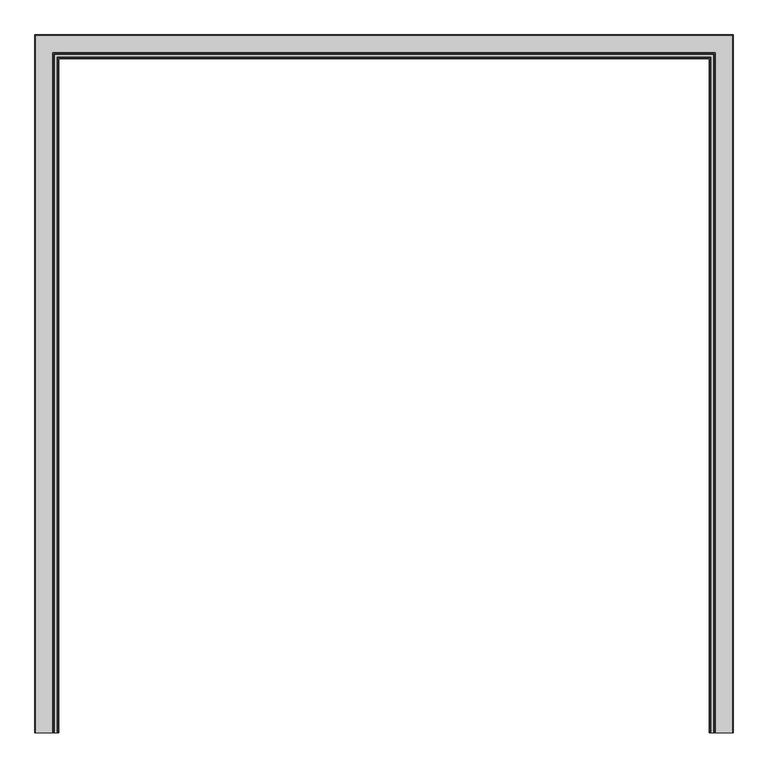
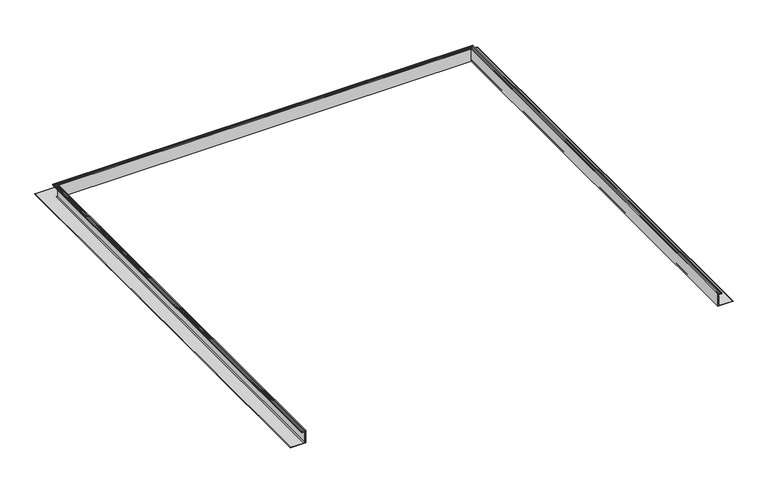
"""IFC4 building model written with IfcOpenShell, lengths in millimetres: fastener geometry."""

from ifc_helpers import new_model, si_unit, frame, origin, place, context, project, spatial, polyline, circle_curve, ellipse_curve, outline, extrude, source, transform, mapped, element, save
from ifc_brep_helpers import plane_surface, cylinder_surface, revolved_surface, advanced_brep


def fastener_39e37d6b(model_context):
    return source(origin(), model_context, "Body", "SolidModel", [
        advanced_brep(
        [(-1135.3165, -1219.2, -15.1804688), (-1141.2343456, -1219.2, -15.1804688), (-1141.460117, -1219.2, -17.1999455), (-1140.3710112, -1219.2, -18.2679836), (-1140.8594568, -1219.2, -19.21101), (-1152.5091166, -1219.2, -19.21101), (-1152.9649499, -1219.2, -18.2679836), (-1151.9131963, -1219.2, -17.1999455), (-1152.1178999, -1219.2, -15.1804688), (-1156.2117258, -1219.2, -15.1804688), (-1156.2117258, -1219.2, -21.87801), (-1137.9835, -1219.2, -21.87801), (-1137.9835, -1219.2, -78.4836108), (-1145.5344517, -1219.2, -86.0345625), (-1217.8665, -1219.2, -86.0345625), (-1217.8665, -1219.2, -88.7015625), (-1135.3165, -1219.2, -88.7015625), (1135.3165, -1219.2, -15.1804688), (1135.3165, -1219.2, -88.7015625), (1217.8665, -1219.2, -88.7015625), (1217.8665, -1219.2, -86.0345625), (1145.5344517, -1219.2, -86.0345625), (1137.9835, -1219.2, -78.4836108), (1137.9835, -1219.2, -21.87801), (1156.2117258, -1219.2, -21.87801), (1156.2117258, -1219.2, -15.1804688), (1152.1178999, -1219.2, -15.1804688), (1151.9131963, -1219.2, -17.1999455), (1152.9649499, -1219.2, -18.2679836), (1152.5091166, -1219.2, -19.21101), (1140.8594568, -1219.2, -19.21101), (1140.3710112, -1219.2, -18.2679836), (1141.460117, -1219.2, -17.1999455), (1141.2343456, -1219.2, -15.1804688), (-1141.460117, 1141.460117, -17.1999455), (-1141.2343456, 1141.2343456, -15.1804688), (1141.2343456, 1141.2343456, -15.1804688), (1141.460117, 1141.460117, -17.1999455), (-1140.3710112, 1140.3710112, -18.2679836), (1140.3710112, 1140.3710112, -18.2679836), (-1140.8594568, 1140.8594568, -19.21101), (1140.8594568, 1140.8594568, -19.21101), (-1152.9649499, 1152.9649499, -18.2679836), (-1152.5091166, 1152.5091166, -19.21101), (1152.5091166, 1152.5091166, -19.21101), (1152.9649499, 1152.9649499, -18.2679836), (-1151.9131963, 1151.9131963, -17.1999455), (1151.9131963, 1151.9131963, -17.1999455), (-1152.1178999, 1152.1178999, -15.1804688), (1152.1178999, 1152.1178999, -15.1804688), (-1156.2117258, 1156.2117258, -21.87801), (-1156.2117258, 1156.2117258, -15.1804688), (1156.2117258, 1156.2117258, -15.1804688), (1156.2117258, 1156.2117258, -21.87801), (-1137.9835, 1137.9835, -78.4836108), (-1137.9835, 1137.9835, -21.87801), (1137.9835, 1137.9835, -21.87801), (1137.9835, 1137.9835, -78.4836108), (-1145.5344517, 1145.5344517, -86.0345625), (1145.5344517, 1145.5344517, -86.0345625), (-1217.8665, 1217.8665, -88.7015625), (-1217.8665, 1217.8665, -86.0345625), (1217.8665, 1217.8665, -86.0345625), (1217.8665, 1217.8665, -88.7015625), (-1135.3165, 1135.3165, -15.1804688), (-1135.3165, 1135.3165, -88.7015625), (1135.3165, 1135.3165, -88.7015625), (1135.3165, 1135.3165, -15.1804688)],
        [
            (0, 1),
            (1, 2, circle_curve(frame((-1140.5022273, -1219.2, -16.284676), z_axis=(0.0, -1.0, 0.0), x_axis=(-1.0, 0.0, 0.0)), 1.3248664)),
            (2, 3),
            (3, 4, circle_curve(frame((-1140.8594568, -1219.2, -18.6130003), z_axis=(0.0, 1.0, 0.0), x_axis=(-1.0, 0.0, 0.0)), 0.5980097)),
            (4, 5),
            (5, 6, circle_curve(frame((-1152.5091166, -1219.2, -18.6293281), z_axis=(0.0, 1.0, 0.0), x_axis=(-1.0, 0.0, 0.0)), 0.5816819)),
            (6, 7),
            (7, 8, circle_curve(frame((-1152.8274757, -1219.2, -16.2725079), z_axis=(0.0, -1.0, 0.0), x_axis=(-1.0, 0.0, 0.0)), 1.3023238)),
            (8, 9),
            (9, 10),
            (10, 11),
            (11, 12),
            (12, 13, circle_curve(frame((-1145.5344517, -1219.2, -78.4836108), z_axis=(0.0, 1.0, 0.0), x_axis=(-1.0, 0.0, 0.0)), 7.5509517)),
            (13, 14),
            (14, 15, circle_curve(frame((-1217.8665, -1219.2, -87.3680625), z_axis=(0.0, -1.0, 0.0), x_axis=(-1.0, 0.0, 0.0)), 1.3335)),
            (15, 16),
            (16, 0),
            (17, 18),
            (18, 19),
            (19, 20, circle_curve(frame((1217.8665, -1219.2, -87.3680625), z_axis=(0.0, -1.0, 0.0), x_axis=(1.0, 0.0, 0.0)), 1.3335)),
            (20, 21),
            (21, 22, circle_curve(frame((1145.5344517, -1219.2, -78.4836108), z_axis=(0.0, 1.0, 0.0), x_axis=(1.0, 0.0, 0.0)), 7.5509517)),
            (22, 23),
            (23, 24),
            (24, 25),
            (25, 26),
            (26, 27, circle_curve(frame((1152.8274757, -1219.2, -16.2725079), z_axis=(0.0, -1.0, 0.0), x_axis=(1.0, 0.0, 0.0)), 1.3023238)),
            (27, 28),
            (28, 29, circle_curve(frame((1152.5091166, -1219.2, -18.6293281), z_axis=(0.0, 1.0, 0.0), x_axis=(1.0, 0.0, 0.0)), 0.5816819)),
            (29, 30),
            (30, 31, circle_curve(frame((1140.8594568, -1219.2, -18.6130003), z_axis=(0.0, 1.0, 0.0), x_axis=(1.0, 0.0, 0.0)), 0.5980097)),
            (31, 32),
            (32, 33, circle_curve(frame((1140.5022273, -1219.2, -16.284676), z_axis=(0.0, -1.0, 0.0), x_axis=(1.0, 0.0, 0.0)), 1.3248664)),
            (33, 17),
            (34, 35, ellipse_curve(frame((-1140.5022273, 1140.5022273, -16.284676), z_axis=(0.7071067811865475, 0.7071067811865475, 0.0), x_axis=(-0.7071067811865476, 0.7071067811865474, 0.0)), 1.873644, 1.3248664)),
            (35, 36),
            (36, 37, ellipse_curve(frame((1140.5022273, 1140.5022273, -16.284676), z_axis=(-0.7071067811865475, 0.7071067811865475, 0.0), x_axis=(-0.7071067811865476, -0.7071067811865474, 0.0)), 1.873644, 1.3248664)),
            (37, 34),
            (38, 34),
            (37, 39),
            (39, 38),
            (40, 38, ellipse_curve(frame((-1140.8594568, 1140.8594568, -18.6130003), z_axis=(-0.7071067811865475, -0.7071067811865475, 0.0), x_axis=(0.7071067811865476, -0.7071067811865474, 0.0)), 0.8457134, 0.5980097)),
            (39, 41, ellipse_curve(frame((1140.8594568, 1140.8594568, -18.6130003), z_axis=(0.7071067811865475, -0.7071067811865475, 0.0), x_axis=(0.7071067811865476, 0.7071067811865474, 0.0)), 0.8457134, 0.5980097)),
            (41, 40),
            (42, 43, ellipse_curve(frame((-1152.5091166, 1152.5091166, -18.6293281), z_axis=(-0.7071067811865475, -0.7071067811865475, 0.0), x_axis=(0.7071067811865476, -0.7071067811865474, 0.0)), 0.8226224, 0.5816819)),
            (43, 44),
            (44, 45, ellipse_curve(frame((1152.5091166, 1152.5091166, -18.6293281), z_axis=(0.7071067811865475, -0.7071067811865475, 0.0), x_axis=(0.7071067811865476, 0.7071067811865474, 0.0)), 0.8226224, 0.5816819)),
            (45, 42),
            (46, 42),
            (45, 47),
            (47, 46),
            (48, 46, ellipse_curve(frame((-1152.8274757, 1152.8274757, -16.2725079), z_axis=(0.7071067811865475, 0.7071067811865475, 0.0), x_axis=(-0.7071067811865476, 0.7071067811865474, 0.0)), 1.841764, 1.3023238)),
            (47, 49, ellipse_curve(frame((1152.8274757, 1152.8274757, -16.2725079), z_axis=(-0.7071067811865475, 0.7071067811865475, 0.0), x_axis=(-0.7071067811865476, -0.7071067811865474, 0.0)), 1.841764, 1.3023238)),
            (49, 48),
            (50, 51),
            (51, 52),
            (52, 53),
            (53, 50),
            (54, 55),
            (55, 56),
            (56, 57),
            (57, 54),
            (58, 54, ellipse_curve(frame((-1145.5344517, 1145.5344517, -78.4836108), z_axis=(-0.7071067811865475, -0.7071067811865475, 0.0), x_axis=(0.7071067811865476, -0.7071067811865474, 0.0)), 10.6786583, 7.5509517)),
            (57, 59, ellipse_curve(frame((1145.5344517, 1145.5344517, -78.4836108), z_axis=(0.7071067811865475, -0.7071067811865475, 0.0), x_axis=(0.7071067811865476, 0.7071067811865474, 0.0)), 10.6786583, 7.5509517)),
            (59, 58),
            (60, 61, ellipse_curve(frame((-1217.8665, 1217.8665, -87.3680625), z_axis=(0.7071067811865475, 0.7071067811865475, 0.0), x_axis=(-0.7071067811865476, 0.7071067811865474, 0.0)), 1.8858538, 1.3335)),
            (61, 62),
            (62, 63, ellipse_curve(frame((1217.8665, 1217.8665, -87.3680625), z_axis=(-0.7071067811865475, 0.7071067811865475, 0.0), x_axis=(-0.7071067811865476, -0.7071067811865474, 0.0)), 1.8858538, 1.3335)),
            (63, 60),
            (64, 65),
            (65, 66),
            (66, 67),
            (67, 64),
            (0, 64),
            (67, 17),
            (33, 36),
            (35, 1),
            (34, 2),
            (38, 3),
            (40, 4),
            (41, 30),
            (29, 44),
            (43, 5),
            (42, 6),
            (46, 7),
            (48, 8),
            (49, 26),
            (25, 52),
            (51, 9),
            (50, 10),
            (53, 24),
            (23, 56),
            (55, 11),
            (54, 12),
            (58, 13),
            (59, 21),
            (20, 62),
            (61, 14),
            (60, 15),
            (63, 19),
            (18, 66),
            (65, 16),
            (32, 37),
            (31, 39),
            (28, 45),
            (27, 47),
            (22, 57),
        ],
        [
            plane_surface(frame((-1219.2, -1219.2, 0.0), z_axis=(0.0, -1.0, 0.0), x_axis=(0.0, 0.0, 1.0))),
            plane_surface(frame((1219.2, -1219.2, 0.0), z_axis=(0.0, -1.0, 0.0), x_axis=(0.0, 0.0, 1.0))),
            cylinder_surface(frame((-1219.2, 1140.5022273, -16.284676), z_axis=(-1.0, 0.0, 0.0), x_axis=(0.0, 1.0, 0.0)), 1.3248664),
            plane_surface(frame((-1141.460117, 1141.460117, -17.1999455), z_axis=(0.0, 0.7001674507589581, -0.7139786697778175), x_axis=(1.0, 0.0, 0.0))),
            revolved_surface(polyline([(1141.4574664800805, 1141.4574665, -18.6130003), (-1141.4574664800805, 1141.4574665, -18.6130003)]), (-1219.2, 1140.8594568, -18.6130003), (1.0, 0.0, 0.0)),
            revolved_surface(polyline([(1153.090798477396, 1153.0907985, -18.6293281), (-1153.090798477396, 1153.0907985, -18.6293281)]), (-1219.2, 1152.5091166, -18.6293281), (1.0, 0.0, 0.0)),
            plane_surface(frame((-1152.9649499, 1152.9649499, -18.2679836), z_axis=(0.0, -0.712517845964901, -0.7016539882175101), x_axis=(1.0, 0.0, 0.0))),
            cylinder_surface(frame((-1219.2, 1152.8274757, -16.2725079), z_axis=(-1.0, 0.0, 0.0), x_axis=(0.0, 1.0, 0.0)), 1.3023238),
            plane_surface(frame((-1156.2117258, 1156.2117258, -15.1804688), z_axis=(0.0, 1.0, 0.0), x_axis=(1.0, 0.0, 0.0))),
            plane_surface(frame((-1137.9835, 1137.9835, -21.87801), z_axis=(0.0, 1.0, 0.0), x_axis=(1.0, 0.0, 0.0))),
            revolved_surface(polyline([(1153.0854033979042, 1153.0854034000001, -78.4836108), (-1153.0854033979042, 1153.0854034000001, -78.4836108)]), (-1219.2, 1145.5344517, -78.4836108), (1.0, 0.0, 0.0)),
            cylinder_surface(frame((-1219.2, 1217.8665, -87.3680625), z_axis=(-1.0, 0.0, 0.0), x_axis=(0.0, 1.0, 0.0)), 1.3335),
            plane_surface(frame((-1135.3165, 1135.3165, -88.7015625), z_axis=(0.0, -1.0, 0.0), x_axis=(1.0, 0.0, 0.0))),
            plane_surface(frame((-1135.3165, -1219.2, -15.1804688), z_axis=(0.0, 0.0, 1.0), x_axis=(0.0, 1.0, 0.0))),
            cylinder_surface(frame((-1140.5022273, -1219.2, -16.284676), z_axis=(0.0, -1.0, 0.0), x_axis=(-1.0, 0.0, 0.0)), 1.3248664),
            plane_surface(frame((-1141.460117, -1219.2, -17.1999455), z_axis=(-0.7001674507589581, 0.0, -0.7139786697778175), x_axis=(0.0, 1.0, 0.0))),
            revolved_surface(polyline([(-1141.4574665, 1141.4574664800805, -18.6130003), (-1141.4574665, -1219.2, -18.6130003)]), (-1140.8594568, -1219.2, -18.6130003), (0.0, 1.0, 0.0)),
            plane_surface(frame((-1140.8594568, -1219.2, -19.21101), z_axis=(0.0, 0.0, 1.0), x_axis=(0.0, 1.0, 0.0))),
            revolved_surface(polyline([(-1153.0907985, 1153.090798477396, -18.6293281), (-1153.0907985, -1219.2, -18.6293281)]), (-1152.5091166, -1219.2, -18.6293281), (0.0, 1.0, 0.0)),
            plane_surface(frame((-1152.9649499, -1219.2, -18.2679836), z_axis=(0.712517845964901, 0.0, -0.7016539882175101), x_axis=(0.0, 1.0, 0.0))),
            cylinder_surface(frame((-1152.8274757, -1219.2, -16.2725079), z_axis=(0.0, -1.0, 0.0), x_axis=(-1.0, 0.0, 0.0)), 1.3023238),
            plane_surface(frame((-1152.1178999, -1219.2, -15.1804688), z_axis=(0.0, 0.0, 1.0), x_axis=(0.0, 1.0, 0.0))),
            plane_surface(frame((-1156.2117258, -1219.2, -15.1804688), z_axis=(-1.0, 0.0, 0.0), x_axis=(0.0, 1.0, 0.0))),
            plane_surface(frame((-1156.2117258, -1219.2, -21.87801), z_axis=(0.0, 0.0, -1.0), x_axis=(0.0, 1.0, 0.0))),
            plane_surface(frame((-1137.9835, -1219.2, -21.87801), z_axis=(-1.0, 0.0, 0.0), x_axis=(0.0, 1.0, 0.0))),
            revolved_surface(polyline([(-1153.0854034000001, 1153.0854033979042, -78.4836108), (-1153.0854034000001, -1219.2, -78.4836108)]), (-1145.5344517, -1219.2, -78.4836108), (0.0, 1.0, 0.0)),
            plane_surface(frame((-1145.5344517, -1219.2, -86.0345625), z_axis=(0.0, 0.0, 1.0), x_axis=(0.0, 1.0, 0.0))),
            cylinder_surface(frame((-1217.8665, -1219.2, -87.3680625), z_axis=(0.0, -1.0, 0.0), x_axis=(-1.0, 0.0, 0.0)), 1.3335),
            plane_surface(frame((-1217.8665, -1219.2, -88.7015625), z_axis=(0.0, 0.0, -1.0), x_axis=(0.0, 1.0, 0.0))),
            plane_surface(frame((-1135.3165, -1219.2, -88.7015625), z_axis=(1.0, 0.0, 0.0), x_axis=(0.0, 1.0, 0.0))),
            cylinder_surface(frame((1140.5022273, 1219.2, -16.284676), z_axis=(0.0, 1.0, 0.0), x_axis=(1.0, 0.0, 0.0)), 1.3248664),
            plane_surface(frame((1141.460117, 1141.460117, -17.1999455), z_axis=(0.7001674507589581, 0.0, -0.7139786697778175), x_axis=(0.0, -1.0, 0.0))),
            revolved_surface(polyline([(1141.4574665, -1219.2, -18.6130003), (1141.4574665, 1141.4574664800805, -18.6130003)]), (1140.8594568, 1219.2, -18.6130003), (0.0, -1.0, 0.0)),
            revolved_surface(polyline([(1153.0907985, -1219.2, -18.6293281), (1153.0907985, 1153.090798477396, -18.6293281)]), (1152.5091166, 1219.2, -18.6293281), (0.0, -1.0, 0.0)),
            plane_surface(frame((1152.9649499, 1152.9649499, -18.2679836), z_axis=(-0.712517845964901, 0.0, -0.7016539882175101), x_axis=(0.0, -1.0, 0.0))),
            cylinder_surface(frame((1152.8274757, 1219.2, -16.2725079), z_axis=(0.0, 1.0, 0.0), x_axis=(1.0, 0.0, 0.0)), 1.3023238),
            plane_surface(frame((1156.2117258, 1156.2117258, -15.1804688), z_axis=(1.0, 0.0, 0.0), x_axis=(0.0, -1.0, 0.0))),
            plane_surface(frame((1137.9835, 1137.9835, -21.87801), z_axis=(1.0, 0.0, 0.0), x_axis=(0.0, -1.0, 0.0))),
            revolved_surface(polyline([(1153.0854034000001, -1219.2, -78.4836108), (1153.0854034000001, 1153.0854033979042, -78.4836108)]), (1145.5344517, 1219.2, -78.4836108), (0.0, -1.0, 0.0)),
            cylinder_surface(frame((1217.8665, 1219.2, -87.3680625), z_axis=(0.0, 1.0, 0.0), x_axis=(1.0, 0.0, 0.0)), 1.3335),
            plane_surface(frame((1135.3165, 1135.3165, -88.7015625), z_axis=(-1.0, 0.0, 0.0), x_axis=(0.0, -1.0, 0.0))),
        ],
        [
            (0, [[1, 2, 3, 4, 5, 6, 7, 8, 9, 10, 11, 12, 13, 14, 15, 16, 17]]),
            (1, [[18, 19, 20, 21, 22, 23, 24, 25, 26, 27, 28, 29, 30, 31, 32, 33, 34]]),
            (2, [[35, 36, 37, 38]]),
            (3, [[39, -38, 40, 41]]),
            (4, [[42, -41, 43, 44]]),
            (5, [[45, 46, 47, 48]]),
            (6, [[49, -48, 50, 51]]),
            (7, [[52, -51, 53, 54]]),
            (8, [[55, 56, 57, 58]]),
            (9, [[59, 60, 61, 62]]),
            (10, [[63, -62, 64, 65]]),
            (11, [[66, 67, 68, 69]]),
            (12, [[70, 71, 72, 73]]),
            (13, [[-1, 74, -73, 75, -34, 76, -36, 77]]),
            (14, [[-2, -77, -35, 78]]),
            (15, [[-3, -78, -39, 79]]),
            (16, [[-4, -79, -42, 80]]),
            (17, [[-5, -80, -44, 81, -30, 82, -46, 83]]),
            (18, [[-6, -83, -45, 84]]),
            (19, [[-7, -84, -49, 85]]),
            (20, [[-8, -85, -52, 86]]),
            (21, [[-9, -86, -54, 87, -26, 88, -56, 89]]),
            (22, [[-10, -89, -55, 90]]),
            (23, [[-11, -90, -58, 91, -24, 92, -60, 93]]),
            (24, [[-12, -93, -59, 94]]),
            (25, [[-13, -94, -63, 95]]),
            (26, [[-14, -95, -65, 96, -21, 97, -67, 98]]),
            (27, [[-15, -98, -66, 99]]),
            (28, [[-16, -99, -69, 100, -19, 101, -71, 102]]),
            (29, [[-17, -102, -70, -74]]),
            (30, [[-37, -76, -33, 103]]),
            (31, [[-40, -103, -32, 104]]),
            (32, [[-43, -104, -31, -81]]),
            (33, [[-47, -82, -29, 105]]),
            (34, [[-50, -105, -28, 106]]),
            (35, [[-53, -106, -27, -87]]),
            (36, [[-57, -88, -25, -91]]),
            (37, [[-61, -92, -23, 107]]),
            (38, [[-64, -107, -22, -96]]),
            (39, [[-68, -97, -20, -100]]),
            (40, [[-72, -101, -18, -75]]),
        ],
    ),
        extrude(outline(polyline([(-1137.9835, -1219.2), (-1139.9113319, -1219.2), (-1139.9113319, 1139.9113319), (1139.9113319, 1139.9113319), (1139.9113319, -1219.2), (1137.9835, -1219.2), (1137.9835, 1137.9835), (-1137.9835, 1137.9835), (-1137.9835, -1219.2)])), frame((0.0, 0.0, -81.4585938), z_axis=(0.0, 0.0, 1.0), x_axis=(1.0, 0.0, 0.0)), (0.0, 0.0, 1.0), 53.18125),
    ])


if __name__ == "__main__":
    model = new_model("IFC4")
    model_context = context("Model", 3, world=origin())
    ifc_project = project(units=[si_unit("LENGTHUNIT", "METRE", prefix="MILLI")], contexts=[model_context])
    site = spatial("IfcSite", under=ifc_project)
    building = spatial("IfcBuilding", under=site)
    placement = place(None, origin())
    fastener_shape = fastener_39e37d6b(model_context)
    element("IfcFastener", 1, at=placement, inside=building, context=model_context, shape_type="MappedRepresentation", body=[
        mapped(fastener_shape, transform((0.0, 0.0, 0.0), x_axis=(1.0, 0.0, 0.0), y_axis=(0.0, 1.0, 0.0), z_axis=(0.0, 0.0, 1.0))),
    ])
    save(model, "model.ifc")
